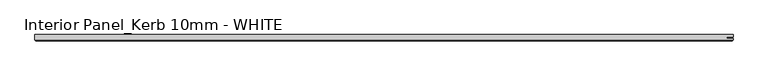
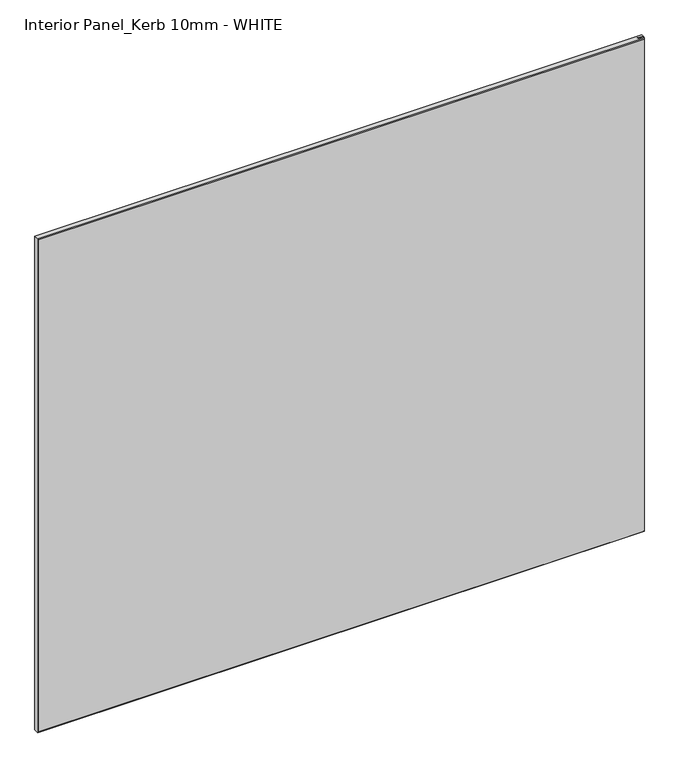
"""IFC4 building model written with IfcOpenShell, lengths in millimetres: proxy geometry, Interior Panel_Kerb 10mm - WHITE."""

from ifc_helpers import new_model, si_unit, origin, place, context, project, spatial, faceted_brep, source, transform, mapped, element, save


def interior_panel_kerb_10mm_white_9028c785(model_context):
    return source(origin(), model_context, "Body", "Brep", [
        faceted_brep([(990.6, 3.175, 914.4), (-73.025, 3.175, 914.4), (-73.025, -4.7625, 914.4), (990.6, -4.7625, 914.4), (990.6, -2.6543, 914.4), (980.7773437, -2.6543, 914.4), (980.7773437, -0.5207, 914.4), (990.6, -0.5207, 914.4), (990.6, 3.175, 0.0), (990.6, -0.5207, 0.0), (980.7773437, -0.5207, 0.0), (980.7773437, -2.6543, 0.0), (990.6, -2.6543, 0.0), (990.6, -4.7625, 0.0), (-73.025, -4.7625, 0.0), (-73.025, 3.175, 0.0), (-71.4375, -6.35, 912.8125), (-71.4375, -6.35, 1.5875), (989.0125, -6.35, 1.5875), (989.0125, -6.35, 912.8125)], [[[0, 1, 2, 3, 4, 5, 6, 7]], [[8, 9, 10, 11, 12, 13, 14, 15]], [[1, 0, 8, 15]], [[2, 1, 15, 14]], [[16, 17, 18, 19]], [[4, 3, 13, 12]], [[2, 14, 17, 16]], [[13, 3, 19, 18]], [[3, 2, 16, 19]], [[14, 13, 18, 17]], [[5, 4, 12, 11]], [[6, 5, 11, 10]], [[7, 6, 10, 9]], [[0, 7, 9, 8]]]),
    ])


if __name__ == "__main__":
    model = new_model("IFC4")
    model_context = context("Model", 3, world=origin())
    ifc_project = project(units=[si_unit("LENGTHUNIT", "METRE", prefix="MILLI")], contexts=[model_context])
    site = spatial("IfcSite", under=ifc_project)
    building = spatial("IfcBuilding", under=site)
    placement = place(None, origin())
    interior_panel_kerb_10mm_white_shape = interior_panel_kerb_10mm_white_9028c785(model_context)
    element("IfcBuildingElementProxy", 1, Name="Interior Panel_Kerb 10mm - WHITE", ObjectType="Interior Panel_Kerb 10mm - WHITE", at=placement, inside=building, context=model_context, shape_type="MappedRepresentation", body=[
        mapped(interior_panel_kerb_10mm_white_shape, transform((0.0, 0.0, 0.0), x_axis=(1.0, 0.0, 0.0), y_axis=(0.0, 1.0, 0.0), z_axis=(0.0, 0.0, 1.0))),
    ])
    save(model, "model.ifc")
